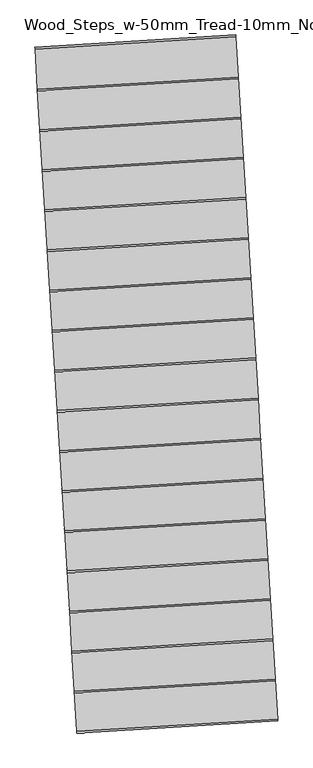
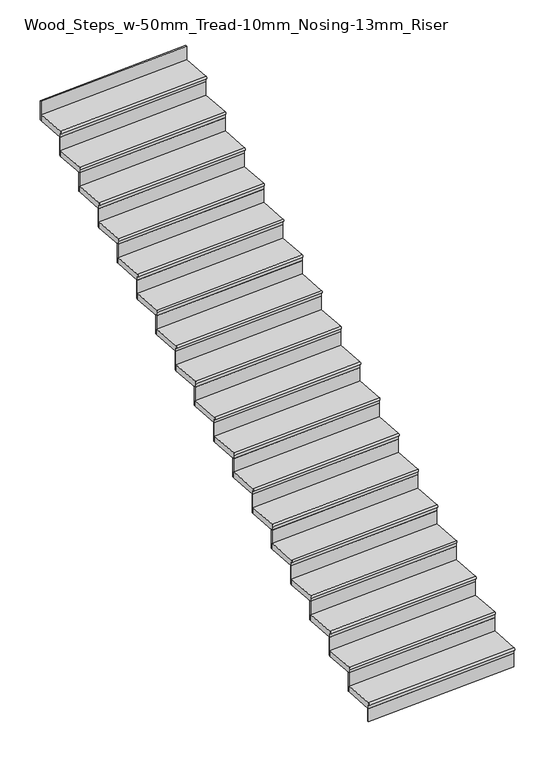
"""IFC4 building model written with IfcOpenShell, lengths in millimetres: stair flight geometry, Wood_Steps_w-50mm_Tread-10mm_Nosing-13mm_Riser."""

import ifcopenshell
import ifcopenshell.guid

model = None  # the IFC model being written
_history = None  # IfcOwnerHistory: only IFC2X3 demands one
_inside = {}  # id of a spatial element -> (the spatial element, [elements in it])
_under = {}  # id of a project, library or spatial element -> (it, [spatial elements below it])
_declared = {}  # id of a project -> (the project, [libraries it declares])
_typed = {}  # id of a type object -> (the type object, [elements of that type])
_made_of = {}  # id of a material, layer set ... -> (it, [elements and type objects made of it])


def new_model(schema):
    """Start an empty IFC model of exactly this schema.

    Asked for "IFC4X3", IfcOpenShell would pick the latest addendum, in which some entities
    have other attributes; the version numbers below select the first issue.
    IFC2X3 requires an IfcOwnerHistory on every rooted entity: one is made here for all.
    """
    global model, _history
    if schema == "IFC4X3":
        model = ifcopenshell.file(schema_version=(4, 3, 0, 0))
    else:
        model = ifcopenshell.file(schema=schema)
    _inside.clear()
    _under.clear()
    _declared.clear()
    _typed.clear()
    _made_of.clear()
    _history = None
    if model.schema == "IFC2X3":
        org = make("IfcOrganization", Name="unknown")
        user = make(
            "IfcPersonAndOrganization",
            ThePerson=make("IfcPerson", FamilyName="unknown"),
            TheOrganization=org,
        )
        app = make(
            "IfcApplication",
            ApplicationDeveloper=org,
            Version="unknown",
            ApplicationFullName="unknown",
            ApplicationIdentifier="unknown",
        )
        _history = make(
            "IfcOwnerHistory",
            OwningUser=user,
            OwningApplication=app,
            ChangeAction="ADDED",
            CreationDate=0,
        )
    return model


def make(cls, **values):
    """One entity of the class cls with the attributes given. An attribute that is None is left unset."""
    return model.create_entity(
        cls, **{name: value for name, value in values.items() if value is not None}
    )


def rooted(cls, **values):
    """An entity with a GlobalId (a new one), such as an element, a storey or a relation."""
    return make(cls, GlobalId=ifcopenshell.guid.new(), OwnerHistory=_history, **values)


def si_unit(unit_type, name, prefix=None):
    """IfcSIUnit, for example si_unit("LENGTHUNIT", "METRE", prefix="MILLI")."""
    return make("IfcSIUnit", UnitType=unit_type, Prefix=prefix, Name=name)


def assignment(units):
    """IfcUnitAssignment: the units of a project."""
    return None if units is None else make("IfcUnitAssignment", Units=units)


def point(xyz):
    """IfcCartesianPoint."""
    return None if xyz is None else make("IfcCartesianPoint", Coordinates=xyz)


def direction(xyz):
    """IfcDirection."""
    return None if xyz is None else make("IfcDirection", DirectionRatios=xyz)


def frame(location, z_axis=None, x_axis=None):
    """IfcAxis2Placement3D, a coordinate frame: its origin and axes. An axis left out is left unset."""
    return make(
        "IfcAxis2Placement3D",
        Location=point(location),
        Axis=direction(z_axis),
        RefDirection=direction(x_axis),
    )


def frame_2d(location, x_axis=None):
    """IfcAxis2Placement2D, a coordinate frame in the plane: its origin and x axis."""
    return make(
        "IfcAxis2Placement2D", Location=point(location), RefDirection=direction(x_axis)
    )


def origin():
    """The frame at (0, 0, 0) with its axes left unset."""
    return frame((0.0, 0.0, 0.0))


def place(relative_to, where):
    """IfcLocalPlacement: puts the frame where relative to a parent placement (None: the world)."""
    return make(
        "IfcLocalPlacement", PlacementRelTo=relative_to, RelativePlacement=where
    )


def context(
    kind, dimensions, precision=None, world=None, true_north=None, identifier=None
):
    """IfcGeometricRepresentationContext, for example the 3D "Model" context."""
    return make(
        "IfcGeometricRepresentationContext",
        ContextIdentifier=identifier,
        ContextType=kind,
        CoordinateSpaceDimension=dimensions,
        Precision=precision,
        WorldCoordinateSystem=world,
        TrueNorth=true_north,
    )


def project(units=None, contexts=None):
    """IfcProject with its units and contexts."""
    return rooted(
        "IfcProject",
        Name="project",
        RepresentationContexts=contexts,
        UnitsInContext=assignment(units),
    )


def spatial(cls, under=None, at=None, **own):
    """A site, building, storey or space (cls), placed at a placement, below another one or the project."""
    s = rooted(cls, ObjectPlacement=at, **own)
    if under is not None:
        _under.setdefault(under.id(), (under, []))[1].append(s)
    return s


def polyline(points):
    """IfcPolyline through the points."""
    return make("IfcPolyline", Points=[point(p) for p in points])


def circle_curve(where, radius):
    """IfcCircle in the frame where."""
    return make("IfcCircle", Position=where, Radius=radius)


def trimmed(basis, trim1, trim2, sense, master):
    """IfcTrimmedCurve: the piece of a basis curve between two trims."""
    return make(
        "IfcTrimmedCurve",
        BasisCurve=basis,
        Trim1=trim1,
        Trim2=trim2,
        SenseAgreement=sense,
        MasterRepresentation=master,
    )


def segment(curve, same_sense, transition):
    """IfcCompositeCurveSegment."""
    return make(
        "IfcCompositeCurveSegment",
        Transition=transition,
        SameSense=same_sense,
        ParentCurve=curve,
    )


def composite_curve(segments, self_intersect=None):
    """IfcCompositeCurve: segments joined end to end."""
    return make("IfcCompositeCurve", Segments=segments, SelfIntersect=self_intersect)


def outline(outer, holes=None, kind="AREA"):
    """IfcArbitraryClosedProfileDef: a profile drawn as a closed curve; with holes, ...WithVoids."""
    if holes is None:
        return make("IfcArbitraryClosedProfileDef", ProfileType=kind, OuterCurve=outer)
    return make(
        "IfcArbitraryProfileDefWithVoids",
        ProfileType=kind,
        OuterCurve=outer,
        InnerCurves=holes,
    )


def extrude(swept, where, along, depth):
    """IfcExtrudedAreaSolid: the profile swept, set in the frame where, extruded along a direction by depth."""
    return make(
        "IfcExtrudedAreaSolid",
        SweptArea=swept,
        Position=where,
        ExtrudedDirection=direction(along),
        Depth=depth,
    )


def shape(context_of_items, identifier, shape_type, items):
    """IfcShapeRepresentation: the items that make up one representation, for example the "Body"."""
    return make(
        "IfcShapeRepresentation",
        ContextOfItems=context_of_items,
        RepresentationIdentifier=identifier,
        RepresentationType=shape_type,
        Items=items,
    )


def source(mapping_origin, context_of_items, identifier, shape_type, items):
    """IfcRepresentationMap: a shape defined once, which mapped items show again and again."""
    return make(
        "IfcRepresentationMap",
        MappingOrigin=mapping_origin,
        MappedRepresentation=shape(context_of_items, identifier, shape_type, items),
    )


def transform(
    local_origin,
    x_axis=None,
    y_axis=None,
    z_axis=None,
    scale=None,
    scale2=None,
    scale3=None,
    uniform=True,
):
    """IfcCartesianTransformationOperator3D, or its non-uniform kind. x_axis, y_axis, z_axis: its Axis1, 2, 3."""
    if uniform:
        return make(
            "IfcCartesianTransformationOperator3D",
            Axis1=direction(x_axis),
            Axis2=direction(y_axis),
            LocalOrigin=point(local_origin),
            Scale=scale,
            Axis3=direction(z_axis),
        )
    return make(
        "IfcCartesianTransformationOperator3DnonUniform",
        Axis1=direction(x_axis),
        Axis2=direction(y_axis),
        LocalOrigin=point(local_origin),
        Scale=scale,
        Axis3=direction(z_axis),
        Scale2=scale2,
        Scale3=scale3,
    )


def mapped(mapping_source, mapping_target):
    """IfcMappedItem: shows the shape of a source again, moved by a transform."""
    return make(
        "IfcMappedItem", MappingSource=mapping_source, MappingTarget=mapping_target
    )


def made_of(thing, what):
    """Note that an element or type object is made of a material, layer set ...; save() writes the relation."""
    if what is not None:
        _made_of.setdefault(what.id(), (what, []))[1].append(thing)
    return thing


def element(
    cls,
    number,
    at=None,
    inside=None,
    cuts=None,
    type_object=None,
    material=None,
    context=None,
    identifier="Body",
    shape_type=None,
    held_by="IfcProductDefinitionShape",
    body=None,
    shapes=None,
    **own,
):
    """One element of the class cls, such as IfcWall. Its Tag is "e" and its number.

    at: its placement. inside: the storey or other place that contains it. cuts: it is an
    opening in that element (IfcRelVoidsElement). A single representation is given by context,
    identifier, shape_type and body (its items); several are given by shapes. held_by: the class
    of the entity that holds the representations. save() writes the other relations.
    """
    e = rooted(cls, Tag="e%d" % number, ObjectPlacement=at, **own)
    if body is not None:
        shapes = [shape(context, identifier, shape_type, body)]
    if shapes is not None:
        e.Representation = make(held_by, Representations=shapes)
    if inside is not None:
        _inside.setdefault(inside.id(), (inside, []))[1].append(e)
    if cuts is not None:
        rooted(
            "IfcRelVoidsElement", RelatingBuildingElement=cuts, RelatedOpeningElement=e
        )
    if type_object is not None:
        _typed.setdefault(type_object.id(), (type_object, []))[1].append(e)
    return made_of(e, material)


def aggregate(whole, parts):
    """IfcRelAggregates: a whole, such as a stair, and the parts it consists of."""
    return rooted("IfcRelAggregates", RelatingObject=whole, RelatedObjects=parts)


def save(model, path):
    """Write the relations noted so far, then the file.

    IfcRelAggregates (storeys below a building ...), IfcRelContainedInSpatialStructure (elements
    in a storey), IfcRelDefinesByType, IfcRelAssociatesMaterial and IfcRelDeclares: one each for
    every whole, place, type object, material and project.
    """
    for whole, parts in _under.values():
        aggregate(whole, parts)
    for where, things in _inside.values():
        rooted(
            "IfcRelContainedInSpatialStructure",
            RelatedElements=things,
            RelatingStructure=where,
        )
    for kind, things in _typed.values():
        rooted("IfcRelDefinesByType", RelatedObjects=things, RelatingType=kind)
    for what, things in _made_of.values():
        rooted("IfcRelAssociatesMaterial", RelatedObjects=things, RelatingMaterial=what)
    for by, libraries in _declared.values():
        rooted("IfcRelDeclares", RelatingContext=by, RelatedDefinitions=libraries)
    model.write(path)


def wood_steps_w_50mm_tread_10mm_nosing_13mm_riser_47cefe2c(model_context):
    return source(origin(), model_context, "Body", "SweptSolid", [
        extrude(outline(composite_curve([segment(polyline([(0.0, -250.0), (0.0, 0.0), (50.0, 0.0), (50.0, -250.0), (20.0, -250.0)]), True, "CONTINUOUS"), segment(trimmed(circle_curve(frame_2d((10.0, -250.0)), 10.0), [point((20.0, -250.0))], [point((0.0, -250.0))], False, "CARTESIAN"), True, "CONTINUOUS")], self_intersect=False)), frame((55762.6071793, 22508.3703017, 7166.6666667), z_axis=(0.9981226455915593, 0.06124691304308109, 0.0), x_axis=(0.0, 0.0, -1.0)), (0.0, 0.0, 1.0), 1251.134314),
        extrude(outline(polyline([(57025.9388126, 22347.9442879), (57026.704399, 22335.4677549), (55777.9189075, 22258.8396403), (55777.1533211, 22271.3161734), (57025.9388126, 22347.9442879)])), frame((0.0, 0.0, 7000.0), z_axis=(0.0, 0.0, 1.0), x_axis=(1.0, 0.0, 0.0)), (0.0, 0.0, 1.0), 116.6666667),
        extrude(outline(polyline([(57010.6270843, 22597.4749493), (57011.3926708, 22584.9984163), (55762.6071793, 22508.3703017), (55761.8415929, 22520.8468348), (57010.6270843, 22597.4749493)])), frame((0.0, 0.0, 7116.6666667), z_axis=(0.0, 0.0, 1.0), x_axis=(1.0, 0.0, 0.0)), (0.0, 0.0, 1.0), 166.6666667),
        extrude(outline(composite_curve([segment(polyline([(0.0, -250.0), (0.0, 0.0), (50.0, 0.0), (50.0, -250.0), (20.0, -250.0)]), True, "CONTINUOUS"), segment(trimmed(circle_curve(frame_2d((10.0, -250.0)), 10.0), [point((20.0, -250.0))], [point((0.0, -250.0))], False, "CARTESIAN"), True, "CONTINUOUS")], self_intersect=False)), frame((55747.295451, 22757.9009631, 7333.3333333), z_axis=(0.9981226455915593, 0.06124691304308109, 0.0), x_axis=(0.0, 0.0, -1.0)), (0.0, 0.0, 1.0), 1251.134314),
        extrude(outline(polyline([(56995.3153561, 22847.0056107), (56996.0809425, 22834.5290777), (55747.295451, 22757.9009631), (55746.5298646, 22770.3774962), (56995.3153561, 22847.0056107)])), frame((0.0, 0.0, 7283.3333333), z_axis=(0.0, 0.0, 1.0), x_axis=(1.0, 0.0, 0.0)), (0.0, 0.0, 1.0), 166.6666667),
        extrude(outline(composite_curve([segment(polyline([(0.0, -250.0), (0.0, 0.0), (50.0, 0.0), (50.0, -250.0), (20.0, -250.0)]), True, "CONTINUOUS"), segment(trimmed(circle_curve(frame_2d((10.0, -250.0)), 10.0), [point((20.0, -250.0))], [point((0.0, -250.0))], False, "CARTESIAN"), True, "CONTINUOUS")], self_intersect=False)), frame((55731.9837227, 23007.4316245, 7500.0), z_axis=(0.9981226455915593, 0.06124691304308109, 0.0), x_axis=(0.0, 0.0, -1.0)), (0.0, 0.0, 1.0), 1251.134314),
        extrude(outline(polyline([(56980.0036278, 23096.5362721), (56980.7692142, 23084.0597391), (55731.9837227, 23007.4316245), (55731.2181363, 23019.9081576), (56980.0036278, 23096.5362721)])), frame((0.0, 0.0, 7450.0), z_axis=(0.0, 0.0, 1.0), x_axis=(1.0, 0.0, 0.0)), (0.0, 0.0, 1.0), 166.6666667),
        extrude(outline(composite_curve([segment(polyline([(0.0, -250.0), (0.0, 0.0), (50.0, 0.0), (50.0, -250.0), (20.0, -250.0)]), True, "CONTINUOUS"), segment(trimmed(circle_curve(frame_2d((10.0, -250.0)), 10.0), [point((20.0, -250.0))], [point((0.0, -250.0))], False, "CARTESIAN"), True, "CONTINUOUS")], self_intersect=False)), frame((55716.6719945, 23256.9622859, 7666.6666667), z_axis=(0.9981226455915593, 0.06124691304308109, 0.0), x_axis=(0.0, 0.0, -1.0)), (0.0, 0.0, 1.0), 1251.134314),
        extrude(outline(polyline([(56964.6918996, 23346.0669335), (56965.457486, 23333.5904005), (55716.6719945, 23256.9622859), (55715.9064081, 23269.438819), (56964.6918996, 23346.0669335)])), frame((0.0, 0.0, 7616.6666667), z_axis=(0.0, 0.0, 1.0), x_axis=(1.0, 0.0, 0.0)), (0.0, 0.0, 1.0), 166.6666667),
        extrude(outline(composite_curve([segment(polyline([(0.0, -250.0), (0.0, 0.0), (50.0, 0.0), (50.0, -250.0), (20.0, -250.0)]), True, "CONTINUOUS"), segment(trimmed(circle_curve(frame_2d((10.0, -250.0)), 10.0), [point((20.0, -250.0))], [point((0.0, -250.0))], False, "CARTESIAN"), True, "CONTINUOUS")], self_intersect=False)), frame((55701.3602662, 23506.4929473, 7833.3333333), z_axis=(0.9981226455915593, 0.06124691304308109, 0.0), x_axis=(0.0, 0.0, -1.0)), (0.0, 0.0, 1.0), 1251.134314),
        extrude(outline(polyline([(56949.3801713, 23595.5975949), (56950.1457577, 23583.1210619), (55701.3602662, 23506.4929473), (55700.5946798, 23518.9694804), (56949.3801713, 23595.5975949)])), frame((0.0, 0.0, 7783.3333333), z_axis=(0.0, 0.0, 1.0), x_axis=(1.0, 0.0, 0.0)), (0.0, 0.0, 1.0), 166.6666667),
        extrude(outline(composite_curve([segment(polyline([(0.0, -250.0), (0.0, 0.0), (50.0, 0.0), (50.0, -250.0), (20.0, -250.0)]), True, "CONTINUOUS"), segment(trimmed(circle_curve(frame_2d((10.0, -250.0)), 10.0), [point((20.0, -250.0))], [point((0.0, -250.0))], False, "CARTESIAN"), True, "CONTINUOUS")], self_intersect=False)), frame((55686.048538, 23756.0236087, 8000.0), z_axis=(0.9981226455915593, 0.06124691304308109, 0.0), x_axis=(0.0, 0.0, -1.0)), (0.0, 0.0, 1.0), 1251.134314),
        extrude(outline(polyline([(56934.068443, 23845.1282563), (56934.8340295, 23832.6517233), (55686.048538, 23756.0236087), (55685.2829516, 23768.5001418), (56934.068443, 23845.1282563)])), frame((0.0, 0.0, 7950.0), z_axis=(0.0, 0.0, 1.0), x_axis=(1.0, 0.0, 0.0)), (0.0, 0.0, 1.0), 166.6666667),
        extrude(outline(composite_curve([segment(polyline([(0.0, -250.0), (0.0, 0.0), (50.0, 0.0), (50.0, -250.0), (20.0, -250.0)]), True, "CONTINUOUS"), segment(trimmed(circle_curve(frame_2d((10.0, -250.0)), 10.0), [point((20.0, -250.0))], [point((0.0, -250.0))], False, "CARTESIAN"), True, "CONTINUOUS")], self_intersect=False)), frame((55670.7368097, 24005.5542701, 8166.6666667), z_axis=(0.9981226455915593, 0.06124691304308109, 0.0), x_axis=(0.0, 0.0, -1.0)), (0.0, 0.0, 1.0), 1251.134314),
        extrude(outline(polyline([(56918.7567148, 24094.6589177), (56919.5223012, 24082.1823847), (55670.7368097, 24005.5542701), (55669.9712233, 24018.0308032), (56918.7567148, 24094.6589177)])), frame((0.0, 0.0, 8116.6666667), z_axis=(0.0, 0.0, 1.0), x_axis=(1.0, 0.0, 0.0)), (0.0, 0.0, 1.0), 166.6666667),
        extrude(outline(composite_curve([segment(polyline([(0.0, -250.0), (0.0, 0.0), (50.0, 0.0), (50.0, -250.0), (20.0, -250.0)]), True, "CONTINUOUS"), segment(trimmed(circle_curve(frame_2d((10.0, -250.0)), 10.0), [point((20.0, -250.0))], [point((0.0, -250.0))], False, "CARTESIAN"), True, "CONTINUOUS")], self_intersect=False)), frame((55655.4250814, 24255.0849315, 8333.3333333), z_axis=(0.9981226455915593, 0.06124691304308109, 0.0), x_axis=(0.0, 0.0, -1.0)), (0.0, 0.0, 1.0), 1251.134314),
        extrude(outline(polyline([(56903.4449865, 24344.1895791), (56904.2105729, 24331.7130461), (55655.4250814, 24255.0849315), (55654.659495, 24267.5614646), (56903.4449865, 24344.1895791)])), frame((0.0, 0.0, 8283.3333333), z_axis=(0.0, 0.0, 1.0), x_axis=(1.0, 0.0, 0.0)), (0.0, 0.0, 1.0), 166.6666667),
        extrude(outline(composite_curve([segment(polyline([(0.0, -250.0), (0.0, 0.0), (50.0, 0.0), (50.0, -250.0), (20.0, -250.0)]), True, "CONTINUOUS"), segment(trimmed(circle_curve(frame_2d((10.0, -250.0)), 10.0), [point((20.0, -250.0))], [point((0.0, -250.0))], False, "CARTESIAN"), True, "CONTINUOUS")], self_intersect=False)), frame((55640.1133532, 24504.6155929, 8500.0), z_axis=(0.9981226455915593, 0.06124691304308109, 0.0), x_axis=(0.0, 0.0, -1.0)), (0.0, 0.0, 1.0), 1251.134314),
        extrude(outline(polyline([(56888.1332583, 24593.7202405), (56888.8988447, 24581.2437075), (55640.1133532, 24504.6155929), (55639.3477668, 24517.092126), (56888.1332583, 24593.7202405)])), frame((0.0, 0.0, 8450.0), z_axis=(0.0, 0.0, 1.0), x_axis=(1.0, 0.0, 0.0)), (0.0, 0.0, 1.0), 166.6666667),
        extrude(outline(composite_curve([segment(polyline([(0.0, -250.0), (0.0, 0.0), (50.0, 0.0), (50.0, -250.0), (20.0, -250.0)]), True, "CONTINUOUS"), segment(trimmed(circle_curve(frame_2d((10.0, -250.0)), 10.0), [point((20.0, -250.0))], [point((0.0, -250.0))], False, "CARTESIAN"), True, "CONTINUOUS")], self_intersect=False)), frame((55624.8016249, 24754.1462543, 8666.6666667), z_axis=(0.9981226455915593, 0.06124691304308109, 0.0), x_axis=(0.0, 0.0, -1.0)), (0.0, 0.0, 1.0), 1251.134314),
        extrude(outline(polyline([(56872.82153, 24843.2509019), (56873.5871164, 24830.7743689), (55624.8016249, 24754.1462543), (55624.0360385, 24766.6227874), (56872.82153, 24843.2509019)])), frame((0.0, 0.0, 8616.6666667), z_axis=(0.0, 0.0, 1.0), x_axis=(1.0, 0.0, 0.0)), (0.0, 0.0, 1.0), 166.6666667),
        extrude(outline(composite_curve([segment(polyline([(0.0, -250.0), (0.0, 0.0), (50.0, 0.0), (50.0, -250.0), (20.0, -250.0)]), True, "CONTINUOUS"), segment(trimmed(circle_curve(frame_2d((10.0, -250.0)), 10.0), [point((20.0, -250.0))], [point((0.0, -250.0))], False, "CARTESIAN"), True, "CONTINUOUS")], self_intersect=False)), frame((55609.4898967, 25003.6769157, 8833.3333333), z_axis=(0.9981226455915593, 0.06124691304308109, 0.0), x_axis=(0.0, 0.0, -1.0)), (0.0, 0.0, 1.0), 1251.134314),
        extrude(outline(polyline([(56857.5098017, 25092.7815633), (56858.2753882, 25080.3050303), (55609.4898967, 25003.6769157), (55608.7243103, 25016.1534488), (56857.5098017, 25092.7815633)])), frame((0.0, 0.0, 8783.3333333), z_axis=(0.0, 0.0, 1.0), x_axis=(1.0, 0.0, 0.0)), (0.0, 0.0, 1.0), 166.6666667),
        extrude(outline(composite_curve([segment(polyline([(0.0, -250.0), (0.0, 0.0), (50.0, 0.0), (50.0, -250.0), (20.0, -250.0)]), True, "CONTINUOUS"), segment(trimmed(circle_curve(frame_2d((10.0, -250.0)), 10.0), [point((20.0, -250.0))], [point((0.0, -250.0))], False, "CARTESIAN"), True, "CONTINUOUS")], self_intersect=False)), frame((55594.1781684, 25253.2075771, 9000.0), z_axis=(0.9981226455915593, 0.06124691304308109, 0.0), x_axis=(0.0, 0.0, -1.0)), (0.0, 0.0, 1.0), 1251.134314),
        extrude(outline(polyline([(56842.1980735, 25342.3122247), (56842.9636599, 25329.8356917), (55594.1781684, 25253.2075771), (55593.412582, 25265.6841102), (56842.1980735, 25342.3122247)])), frame((0.0, 0.0, 8950.0), z_axis=(0.0, 0.0, 1.0), x_axis=(1.0, 0.0, 0.0)), (0.0, 0.0, 1.0), 166.6666667),
        extrude(outline(composite_curve([segment(polyline([(0.0, -250.0), (0.0, 0.0), (50.0, 0.0), (50.0, -250.0), (20.0, -250.0)]), True, "CONTINUOUS"), segment(trimmed(circle_curve(frame_2d((10.0, -250.0)), 10.0), [point((20.0, -250.0))], [point((0.0, -250.0))], False, "CARTESIAN"), True, "CONTINUOUS")], self_intersect=False)), frame((55578.8664401, 25502.7382385, 9166.6666667), z_axis=(0.9981226455915593, 0.06124691304308109, 0.0), x_axis=(0.0, 0.0, -1.0)), (0.0, 0.0, 1.0), 1251.134314),
        extrude(outline(polyline([(56826.8863452, 25591.8428861), (56827.6519316, 25579.3663531), (55578.8664401, 25502.7382385), (55578.1008537, 25515.2147716), (56826.8863452, 25591.8428861)])), frame((0.0, 0.0, 9116.6666667), z_axis=(0.0, 0.0, 1.0), x_axis=(1.0, 0.0, 0.0)), (0.0, 0.0, 1.0), 166.6666667),
        extrude(outline(composite_curve([segment(polyline([(0.0, -250.0), (0.0, 0.0), (50.0, 0.0), (50.0, -250.0), (20.0, -250.0)]), True, "CONTINUOUS"), segment(trimmed(circle_curve(frame_2d((10.0, -250.0)), 10.0), [point((20.0, -250.0))], [point((0.0, -250.0))], False, "CARTESIAN"), True, "CONTINUOUS")], self_intersect=False)), frame((55563.5547119, 25752.2688999, 9333.3333333), z_axis=(0.9981226455915593, 0.06124691304308109, 0.0), x_axis=(0.0, 0.0, -1.0)), (0.0, 0.0, 1.0), 1251.134314),
        extrude(outline(polyline([(56811.574617, 25841.3735475), (56812.3402034, 25828.8970144), (55563.5547119, 25752.2688999), (55562.7891255, 25764.745433), (56811.574617, 25841.3735475)])), frame((0.0, 0.0, 9283.3333333), z_axis=(0.0, 0.0, 1.0), x_axis=(1.0, 0.0, 0.0)), (0.0, 0.0, 1.0), 166.6666667),
        extrude(outline(composite_curve([segment(polyline([(0.0, -250.0), (0.0, 0.0), (50.0, 0.0), (50.0, -250.0), (20.0, -250.0)]), True, "CONTINUOUS"), segment(trimmed(circle_curve(frame_2d((10.0, -250.0)), 10.0), [point((20.0, -250.0))], [point((0.0, -250.0))], False, "CARTESIAN"), True, "CONTINUOUS")], self_intersect=False)), frame((55548.2429836, 26001.7995613, 9500.0), z_axis=(0.9981226455915593, 0.06124691304308109, 0.0), x_axis=(0.0, 0.0, -1.0)), (0.0, 0.0, 1.0), 1251.134314),
        extrude(outline(polyline([(56796.2628887, 26090.9042089), (56797.0284751, 26078.4276758), (55548.2429836, 26001.7995613), (55547.4773972, 26014.2760944), (56796.2628887, 26090.9042089)])), frame((0.0, 0.0, 9450.0), z_axis=(0.0, 0.0, 1.0), x_axis=(1.0, 0.0, 0.0)), (0.0, 0.0, 1.0), 166.6666667),
        extrude(outline(composite_curve([segment(polyline([(0.0, -250.0), (0.0, 0.0), (50.0, 0.0), (50.0, -250.0), (20.0, -250.0)]), True, "CONTINUOUS"), segment(trimmed(circle_curve(frame_2d((10.0, -250.0)), 10.0), [point((20.0, -250.0))], [point((0.0, -250.0))], False, "CARTESIAN"), True, "CONTINUOUS")], self_intersect=False)), frame((55532.9312554, 26251.3302227, 9666.6666667), z_axis=(0.9981226455915593, 0.06124691304308109, 0.0), x_axis=(0.0, 0.0, -1.0)), (0.0, 0.0, 1.0), 1251.134314),
        extrude(outline(polyline([(56780.9511604, 26340.4348703), (56781.7167469, 26327.9583372), (55532.9312554, 26251.3302227), (55532.1656689, 26263.8067558), (56780.9511604, 26340.4348703)])), frame((0.0, 0.0, 9616.6666667), z_axis=(0.0, 0.0, 1.0), x_axis=(1.0, 0.0, 0.0)), (0.0, 0.0, 1.0), 166.6666667),
        extrude(outline(polyline([(56765.6394322, 26589.9655317), (56766.4050186, 26577.4889986), (55517.6195271, 26500.8608841), (55516.8539407, 26513.3374172), (56765.6394322, 26589.9655317)])), frame((0.0, 0.0, 9783.3333333), z_axis=(0.0, 0.0, 1.0), x_axis=(1.0, 0.0, 0.0)), (0.0, 0.0, 1.0), 166.6666667),
        extrude(outline(composite_curve([segment(polyline([(0.0, -250.0), (0.0, 0.0), (50.0, 0.0), (50.0, -250.0), (20.0, -250.0)]), True, "CONTINUOUS"), segment(trimmed(circle_curve(frame_2d((10.0, -250.0)), 10.0), [point((20.0, -250.0))], [point((0.0, -250.0))], False, "CARTESIAN"), True, "CONTINUOUS")], self_intersect=False)), frame((55517.6195271, 26500.8608841, 9833.3333333), z_axis=(0.9981226455915593, 0.06124691304308109, 0.0), x_axis=(0.0, 0.0, -1.0)), (0.0, 0.0, 1.0), 1251.134314),
    ])


if __name__ == "__main__":
    model = new_model("IFC4")
    model_context = context("Model", 3, world=origin())
    ifc_project = project(units=[si_unit("LENGTHUNIT", "METRE", prefix="MILLI")], contexts=[model_context])
    site = spatial("IfcSite", under=ifc_project)
    building = spatial("IfcBuilding", under=site)
    placement = place(None, origin())
    wood_steps_w_50mm_tread_10mm_nosing_13mm_riser_shape = wood_steps_w_50mm_tread_10mm_nosing_13mm_riser_47cefe2c(model_context)
    element("IfcStairFlight", 1, ObjectType="Wood_Steps_w-50mm_Tread-10mm_Nosing-13mm_Riser", at=placement, inside=building, context=model_context, shape_type="MappedRepresentation", body=[
        mapped(wood_steps_w_50mm_tread_10mm_nosing_13mm_riser_shape, transform((0.0, 0.0, 0.0), x_axis=(1.0, 0.0, 0.0), y_axis=(0.0, 1.0, 0.0), z_axis=(0.0, 0.0, 1.0))),
    ])
    save(model, "model.ifc")
